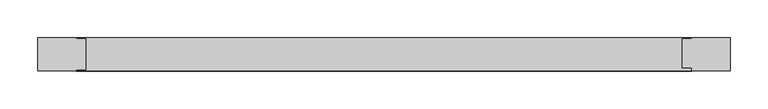
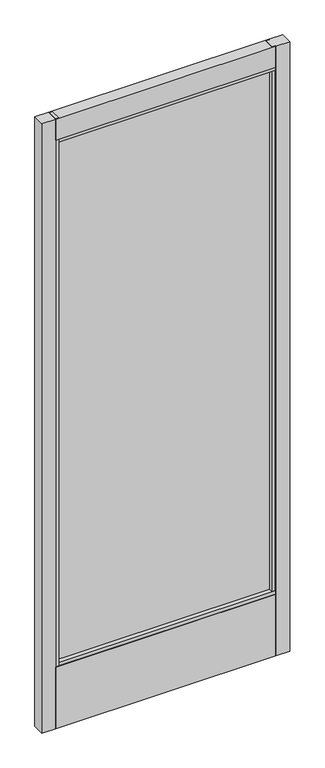
"""IFC4 building model written with IfcOpenShell, lengths in millimetres: plate geometry."""

from ifc_helpers import new_model, si_unit, frame, origin, place, context, project, spatial, polyline, outline, extrude, source, transform, mapped, element, save


def plate_4d04acc1(model_context):
    return source(origin(), model_context, "Body", "SweptSolid", [
        extrude(outline(polyline([(-461.3827987, 14.2875), (-409.7789282, 14.2875), (-409.7789282, 12.7276195), (-397.0789282, 12.7276195), (-397.0789282, -28.2929584), (-409.7789282, -28.2929584), (-409.7789282, -30.1625), (-461.3827987, -30.1625), (-461.3827987, 14.2875)])), frame((0.0, 0.0, 17.4625), z_axis=(0.0, 0.0, 1.0), x_axis=(1.0, 0.0, 0.0)), (0.0, 0.0, 1.0), 2398.2844027),
        extrude(outline(polyline([(-405.4704645, -10.8991855), (-405.4704645, -4.5491855), (401.8599706, -4.5491855), (401.8599706, -10.8991855), (-405.4704645, -10.8991855)])), frame((0.0, 0.0, 263.906), z_axis=(0.0, 0.0, 1.0), x_axis=(1.0, 0.0, 0.0)), (0.0, 0.0, 1.0), 2064.5284027),
        extrude(outline(polyline([(461.3827987, 14.2875), (461.3827987, -30.1625), (409.7789282, -30.1625), (409.7789282, -26.0572968), (397.0789282, -26.0572968), (397.0789282, 12.7276195), (409.7789282, 12.7276195), (409.7789282, 14.2875), (461.3827987, 14.2875)])), frame((0.0, 0.0, 17.4625), z_axis=(0.0, 0.0, 1.0), x_axis=(1.0, 0.0, 0.0)), (0.0, 0.0, 1.0), 2398.2844027),
        extrude(outline(polyline([(-30.1625, 2415.7469027), (14.2875, 2415.7469027), (14.2875, 2333.1996967), (12.7276195, 2333.1996967), (12.7276195, 2320.4969027), (-28.2929584, 2320.4969027), (-28.2929584, 2333.1996967), (-30.1625, 2333.1996967), (-30.1625, 2415.7469027)])), frame((-409.7789282, 0.0, 0.0), z_axis=(1.0, 0.0, 0.0), x_axis=(0.0, 1.0, 0.0)), (0.0, 0.0, 1.0), 819.5578564),
        extrude(outline(polyline([(-28.2929584, 271.4298836), (12.7276195, 271.4298836), (12.7276195, 258.7303916), (14.2875, 258.7303916), (14.2875, 17.4625), (-30.1625, 17.4625), (-30.1625, 258.7303916), (-28.2929584, 258.7303916), (-28.2929584, 271.4298836)])), frame((-409.7789282, 0.0, 0.0), z_axis=(1.0, 0.0, 0.0), x_axis=(0.0, 1.0, 0.0)), (0.0, 0.0, 1.0), 819.5578564),
    ])


if __name__ == "__main__":
    model = new_model("IFC4")
    model_context = context("Model", 3, world=origin())
    ifc_project = project(units=[si_unit("LENGTHUNIT", "METRE", prefix="MILLI")], contexts=[model_context])
    site = spatial("IfcSite", under=ifc_project)
    building = spatial("IfcBuilding", under=site)
    placement = place(None, origin())
    plate_shape = plate_4d04acc1(model_context)
    element("IfcPlate", 1, at=placement, inside=building, context=model_context, shape_type="MappedRepresentation", body=[
        mapped(plate_shape, transform((0.0, 0.0, 0.0), x_axis=(1.0, 0.0, 0.0), y_axis=(0.0, 1.0, 0.0), z_axis=(0.0, 0.0, 1.0))),
    ])
    save(model, "model.ifc")
